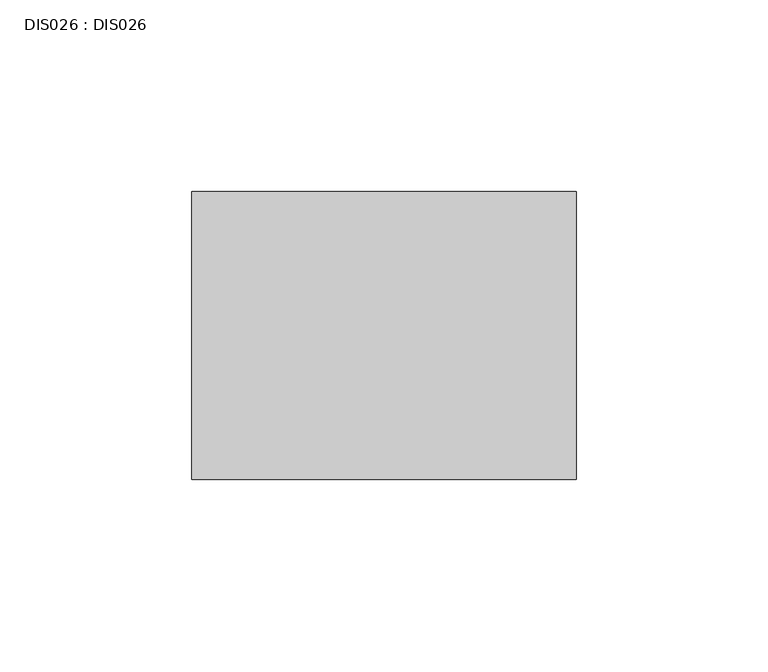
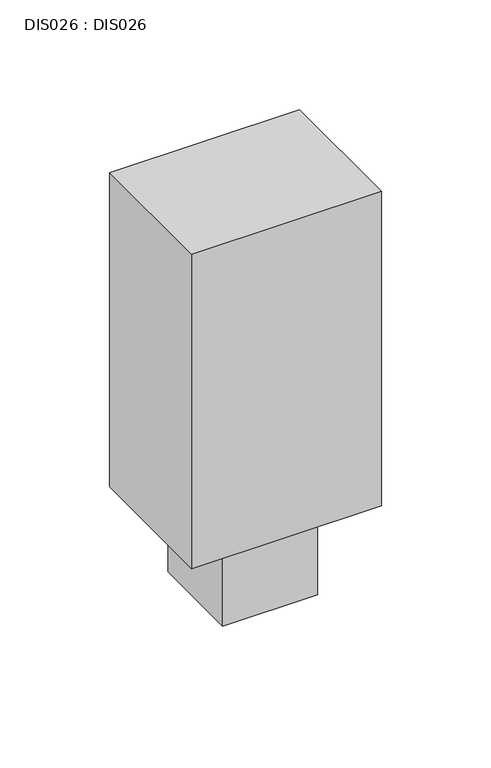
"""IFC4 building model written with IfcOpenShell, lengths in millimetres: proxy geometry, DIS026 : DIS026."""

import ifcopenshell
import ifcopenshell.guid

model = None  # the IFC model being written
_history = None  # IfcOwnerHistory: only IFC2X3 demands one
_inside = {}  # id of a spatial element -> (the spatial element, [elements in it])
_under = {}  # id of a project, library or spatial element -> (it, [spatial elements below it])
_declared = {}  # id of a project -> (the project, [libraries it declares])
_typed = {}  # id of a type object -> (the type object, [elements of that type])
_made_of = {}  # id of a material, layer set ... -> (it, [elements and type objects made of it])


def new_model(schema):
    """Start an empty IFC model of exactly this schema.

    Asked for "IFC4X3", IfcOpenShell would pick the latest addendum, in which some entities
    have other attributes; the version numbers below select the first issue.
    IFC2X3 requires an IfcOwnerHistory on every rooted entity: one is made here for all.
    """
    global model, _history
    if schema == "IFC4X3":
        model = ifcopenshell.file(schema_version=(4, 3, 0, 0))
    else:
        model = ifcopenshell.file(schema=schema)
    _inside.clear()
    _under.clear()
    _declared.clear()
    _typed.clear()
    _made_of.clear()
    _history = None
    if model.schema == "IFC2X3":
        org = make("IfcOrganization", Name="unknown")
        user = make(
            "IfcPersonAndOrganization",
            ThePerson=make("IfcPerson", FamilyName="unknown"),
            TheOrganization=org,
        )
        app = make(
            "IfcApplication",
            ApplicationDeveloper=org,
            Version="unknown",
            ApplicationFullName="unknown",
            ApplicationIdentifier="unknown",
        )
        _history = make(
            "IfcOwnerHistory",
            OwningUser=user,
            OwningApplication=app,
            ChangeAction="ADDED",
            CreationDate=0,
        )
    return model


def make(cls, **values):
    """One entity of the class cls with the attributes given. An attribute that is None is left unset."""
    return model.create_entity(
        cls, **{name: value for name, value in values.items() if value is not None}
    )


def rooted(cls, **values):
    """An entity with a GlobalId (a new one), such as an element, a storey or a relation."""
    return make(cls, GlobalId=ifcopenshell.guid.new(), OwnerHistory=_history, **values)


def si_unit(unit_type, name, prefix=None):
    """IfcSIUnit, for example si_unit("LENGTHUNIT", "METRE", prefix="MILLI")."""
    return make("IfcSIUnit", UnitType=unit_type, Prefix=prefix, Name=name)


def assignment(units):
    """IfcUnitAssignment: the units of a project."""
    return None if units is None else make("IfcUnitAssignment", Units=units)


def point(xyz):
    """IfcCartesianPoint."""
    return None if xyz is None else make("IfcCartesianPoint", Coordinates=xyz)


def direction(xyz):
    """IfcDirection."""
    return None if xyz is None else make("IfcDirection", DirectionRatios=xyz)


def frame(location, z_axis=None, x_axis=None):
    """IfcAxis2Placement3D, a coordinate frame: its origin and axes. An axis left out is left unset."""
    return make(
        "IfcAxis2Placement3D",
        Location=point(location),
        Axis=direction(z_axis),
        RefDirection=direction(x_axis),
    )


def origin():
    """The frame at (0, 0, 0) with its axes left unset."""
    return frame((0.0, 0.0, 0.0))


def origin_with_axes():
    """The frame at (0, 0, 0) with the z axis (0, 0, 1) and the x axis (1, 0, 0) written out."""
    return frame((0.0, 0.0, 0.0), z_axis=(0.0, 0.0, 1.0), x_axis=(1.0, 0.0, 0.0))


def place(relative_to, where):
    """IfcLocalPlacement: puts the frame where relative to a parent placement (None: the world)."""
    return make(
        "IfcLocalPlacement", PlacementRelTo=relative_to, RelativePlacement=where
    )


def context(
    kind, dimensions, precision=None, world=None, true_north=None, identifier=None
):
    """IfcGeometricRepresentationContext, for example the 3D "Model" context."""
    return make(
        "IfcGeometricRepresentationContext",
        ContextIdentifier=identifier,
        ContextType=kind,
        CoordinateSpaceDimension=dimensions,
        Precision=precision,
        WorldCoordinateSystem=world,
        TrueNorth=true_north,
    )


def project(units=None, contexts=None):
    """IfcProject with its units and contexts."""
    return rooted(
        "IfcProject",
        Name="project",
        RepresentationContexts=contexts,
        UnitsInContext=assignment(units),
    )


def spatial(cls, under=None, at=None, **own):
    """A site, building, storey or space (cls), placed at a placement, below another one or the project."""
    s = rooted(cls, ObjectPlacement=at, **own)
    if under is not None:
        _under.setdefault(under.id(), (under, []))[1].append(s)
    return s


def polyline(points):
    """IfcPolyline through the points."""
    return make("IfcPolyline", Points=[point(p) for p in points])


def outline(outer, holes=None, kind="AREA"):
    """IfcArbitraryClosedProfileDef: a profile drawn as a closed curve; with holes, ...WithVoids."""
    if holes is None:
        return make("IfcArbitraryClosedProfileDef", ProfileType=kind, OuterCurve=outer)
    return make(
        "IfcArbitraryProfileDefWithVoids",
        ProfileType=kind,
        OuterCurve=outer,
        InnerCurves=holes,
    )


def extrude(swept, where, along, depth):
    """IfcExtrudedAreaSolid: the profile swept, set in the frame where, extruded along a direction by depth."""
    return make(
        "IfcExtrudedAreaSolid",
        SweptArea=swept,
        Position=where,
        ExtrudedDirection=direction(along),
        Depth=depth,
    )


def shape(context_of_items, identifier, shape_type, items):
    """IfcShapeRepresentation: the items that make up one representation, for example the "Body"."""
    return make(
        "IfcShapeRepresentation",
        ContextOfItems=context_of_items,
        RepresentationIdentifier=identifier,
        RepresentationType=shape_type,
        Items=items,
    )


def source(mapping_origin, context_of_items, identifier, shape_type, items):
    """IfcRepresentationMap: a shape defined once, which mapped items show again and again."""
    return make(
        "IfcRepresentationMap",
        MappingOrigin=mapping_origin,
        MappedRepresentation=shape(context_of_items, identifier, shape_type, items),
    )


def transform(
    local_origin,
    x_axis=None,
    y_axis=None,
    z_axis=None,
    scale=None,
    scale2=None,
    scale3=None,
    uniform=True,
):
    """IfcCartesianTransformationOperator3D, or its non-uniform kind. x_axis, y_axis, z_axis: its Axis1, 2, 3."""
    if uniform:
        return make(
            "IfcCartesianTransformationOperator3D",
            Axis1=direction(x_axis),
            Axis2=direction(y_axis),
            LocalOrigin=point(local_origin),
            Scale=scale,
            Axis3=direction(z_axis),
        )
    return make(
        "IfcCartesianTransformationOperator3DnonUniform",
        Axis1=direction(x_axis),
        Axis2=direction(y_axis),
        LocalOrigin=point(local_origin),
        Scale=scale,
        Axis3=direction(z_axis),
        Scale2=scale2,
        Scale3=scale3,
    )


def mapped(mapping_source, mapping_target):
    """IfcMappedItem: shows the shape of a source again, moved by a transform."""
    return make(
        "IfcMappedItem", MappingSource=mapping_source, MappingTarget=mapping_target
    )


def made_of(thing, what):
    """Note that an element or type object is made of a material, layer set ...; save() writes the relation."""
    if what is not None:
        _made_of.setdefault(what.id(), (what, []))[1].append(thing)
    return thing


def element(
    cls,
    number,
    at=None,
    inside=None,
    cuts=None,
    type_object=None,
    material=None,
    context=None,
    identifier="Body",
    shape_type=None,
    held_by="IfcProductDefinitionShape",
    body=None,
    shapes=None,
    **own,
):
    """One element of the class cls, such as IfcWall. Its Tag is "e" and its number.

    at: its placement. inside: the storey or other place that contains it. cuts: it is an
    opening in that element (IfcRelVoidsElement). A single representation is given by context,
    identifier, shape_type and body (its items); several are given by shapes. held_by: the class
    of the entity that holds the representations. save() writes the other relations.
    """
    e = rooted(cls, Tag="e%d" % number, ObjectPlacement=at, **own)
    if body is not None:
        shapes = [shape(context, identifier, shape_type, body)]
    if shapes is not None:
        e.Representation = make(held_by, Representations=shapes)
    if inside is not None:
        _inside.setdefault(inside.id(), (inside, []))[1].append(e)
    if cuts is not None:
        rooted(
            "IfcRelVoidsElement", RelatingBuildingElement=cuts, RelatedOpeningElement=e
        )
    if type_object is not None:
        _typed.setdefault(type_object.id(), (type_object, []))[1].append(e)
    return made_of(e, material)


def aggregate(whole, parts):
    """IfcRelAggregates: a whole, such as a stair, and the parts it consists of."""
    return rooted("IfcRelAggregates", RelatingObject=whole, RelatedObjects=parts)


def save(model, path):
    """Write the relations noted so far, then the file.

    IfcRelAggregates (storeys below a building ...), IfcRelContainedInSpatialStructure (elements
    in a storey), IfcRelDefinesByType, IfcRelAssociatesMaterial and IfcRelDeclares: one each for
    every whole, place, type object, material and project.
    """
    for whole, parts in _under.values():
        aggregate(whole, parts)
    for where, things in _inside.values():
        rooted(
            "IfcRelContainedInSpatialStructure",
            RelatedElements=things,
            RelatingStructure=where,
        )
    for kind, things in _typed.values():
        rooted("IfcRelDefinesByType", RelatedObjects=things, RelatingType=kind)
    for what, things in _made_of.values():
        rooted("IfcRelAssociatesMaterial", RelatedObjects=things, RelatingMaterial=what)
    for by, libraries in _declared.values():
        rooted("IfcRelDeclares", RelatingContext=by, RelatedDefinitions=libraries)
    model.write(path)


def dis026_dis026_5db12ed9(model_context):
    return source(origin(), model_context, "Body", "SweptSolid", [
        extrude(outline(polyline([(75.0000006, -59.9999986), (25.0000002, -59.9999986), (25.0000002, -10.0000005), (75.0000006, -10.0000005), (75.0000006, -59.9999986)])), origin_with_axes(), (0.0, 0.0, 1.0), 50.0000004),
        extrude(outline(polyline([(100.0000008, 0.0), (100.0000008, -75.0000006), (0.0, -75.0000006), (0.0, 0.0), (100.0000008, 0.0)])), frame((0.0, 0.0, 50.0000004), z_axis=(0.0, 0.0, 1.0), x_axis=(1.0, 0.0, 0.0)), (0.0, 0.0, 1.0), 175.0000013),
    ])


if __name__ == "__main__":
    model = new_model("IFC4")
    model_context = context("Model", 3, world=origin())
    ifc_project = project(units=[si_unit("LENGTHUNIT", "METRE", prefix="MILLI")], contexts=[model_context])
    site = spatial("IfcSite", under=ifc_project)
    building = spatial("IfcBuilding", under=site)
    placement = place(None, origin())
    dis026_dis026_shape = dis026_dis026_5db12ed9(model_context)
    element("IfcBuildingElementProxy", 1, Name="DIS026 : DIS026", ObjectType="DIS026 : DIS026", at=placement, inside=building, context=model_context, shape_type="MappedRepresentation", body=[
        mapped(dis026_dis026_shape, transform((0.0, 0.0, 0.0), x_axis=(1.0, 0.0, 0.0), y_axis=(0.0, 1.0, 0.0), z_axis=(0.0, 0.0, 1.0))),
    ])
    save(model, "model.ifc")
